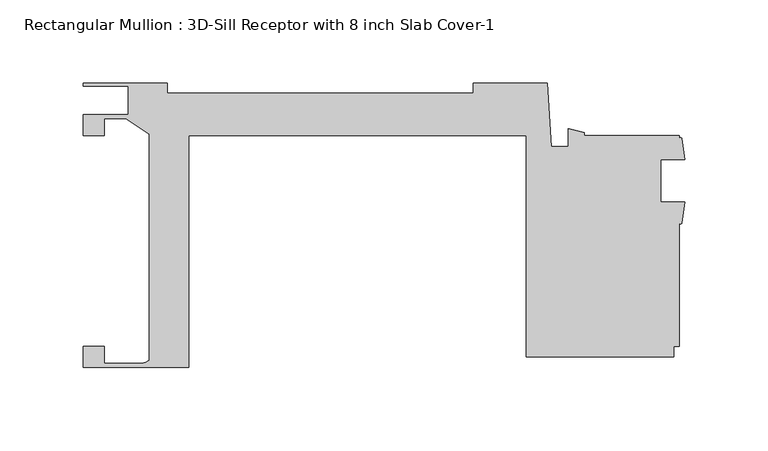
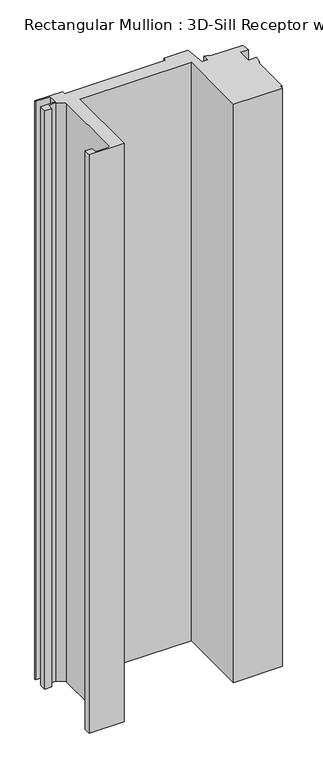
"""IFC4 building model written with IfcOpenShell, lengths in millimetres: member geometry, Rectangular Mullion : 3D-Sill Receptor with 8 inch Slab Cover-1."""

from ifc_helpers import new_model, si_unit, point, frame, frame_2d, origin, place, context, project, spatial, polyline, circle_curve, trimmed, segment, composite_curve, outline, extrude, source, transform, mapped, element, save


def rectangular_mullion_3d_sill_receptor_with_8_inch_slab_cover_6ecd1bcd(model_context):
    return source(origin(), model_context, "Body", "SweptSolid", [
        extrude(outline(composite_curve([segment(polyline([(-327.0250613, 53.962968), (-327.0250613, 66.8032812), (-299.8652608, 66.8032812), (-299.8652608, 83.7039385), (-327.0250613, 83.7039385), (-327.0250613, 85.7359385), (-276.2250613, 85.7359385), (-276.2250613, 79.6223721), (-92.0750617, 79.6223721), (-92.0750617, 85.736936), (-47.7427622, 85.736936), (-45.0850617, 47.3697995), (-34.9250617, 47.3697995), (-34.9250617, 58.1604164), (-25.4000617, 55.7182337), (-25.4000617, 53.9869695), (31.7500653, 53.9869695), (31.7500653, 52.1834445)]), True, "CONTINUOUS"), segment(trimmed(circle_curve(frame_2d((32.5601464, 51.8379412)), 0.8806837), [point((31.7500653, 52.1834445))], [point((33.3359616, 52.254732))], False, "CARTESIAN"), True, "CONTINUOUS"), segment(polyline([(33.3359616, 52.254732), (35.1460653, 39.4834445), (20.6375653, 39.4834445), (20.6375653, 14.0834445), (35.269587, 14.0834445), (33.4134697, 1.3103917)]), True, "CONTINUOUS"), segment(trimmed(circle_curve(frame_2d((32.5817675, 1.8247731)), 0.9779145), [point((33.4134697, 1.3103917))], [point((31.7500653, 1.3103917))], False, "CARTESIAN"), True, "CONTINUOUS"), segment(polyline([(31.7500653, 1.3103917), (31.7500653, -73.0130305), (28.5749113, -73.0130305), (28.5749113, -79.362968), (-60.3250617, -79.362968), (-60.3250617, 53.9869695), (-263.5250617, 53.9869695), (-263.5250617, -85.7140614), (-326.9996617, -85.7140614), (-326.9996617, -72.9940054), (-314.2996617, -72.9940054), (-314.2996617, -83.1740614), (-291.7825617, -83.1740614)]), True, "CONTINUOUS"), segment(trimmed(circle_curve(frame_2d((-291.7825617, -76.8240614)), 6.35), [point((-291.7825617, -83.1740614))], [point((-287.3248613, -81.3463846))], True, "CARTESIAN"), True, "CONTINUOUS"), segment(polyline([(-287.3248613, -81.3463846), (-287.3248613, 54.9648513), (-301.319607, 64.2632812), (-314.3504617, 64.2632812), (-314.3504617, 53.962968), (-327.0250613, 53.962968)]), True, "CONTINUOUS")], self_intersect=False)), frame((0.0, 0.0, -1112.1964569), z_axis=(0.0, 0.0, 1.0), x_axis=(1.0, 0.0, 0.0)), (0.0, 0.0, 1.0), 1112.1964569),
    ])


if __name__ == "__main__":
    model = new_model("IFC4")
    model_context = context("Model", 3, world=origin())
    ifc_project = project(units=[si_unit("LENGTHUNIT", "METRE", prefix="MILLI")], contexts=[model_context])
    site = spatial("IfcSite", under=ifc_project)
    building = spatial("IfcBuilding", under=site)
    placement = place(None, origin())
    rectangular_mullion_3d_sill_receptor_with_8_inch_slab_cover_shape = rectangular_mullion_3d_sill_receptor_with_8_inch_slab_cover_6ecd1bcd(model_context)
    element("IfcMember", 1, ObjectType="Rectangular Mullion : 3D-Sill Receptor with 8 inch Slab Cover-1", at=placement, inside=building, context=model_context, shape_type="MappedRepresentation", body=[
        mapped(rectangular_mullion_3d_sill_receptor_with_8_inch_slab_cover_shape, transform((0.0, 0.0, 0.0), x_axis=(1.0, 0.0, 0.0), y_axis=(0.0, 1.0, 0.0), z_axis=(0.0, 0.0, 1.0))),
    ])
    save(model, "model.ifc")
